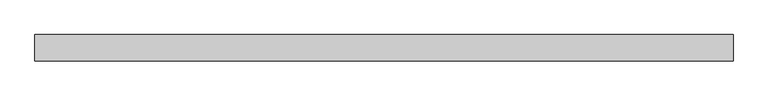
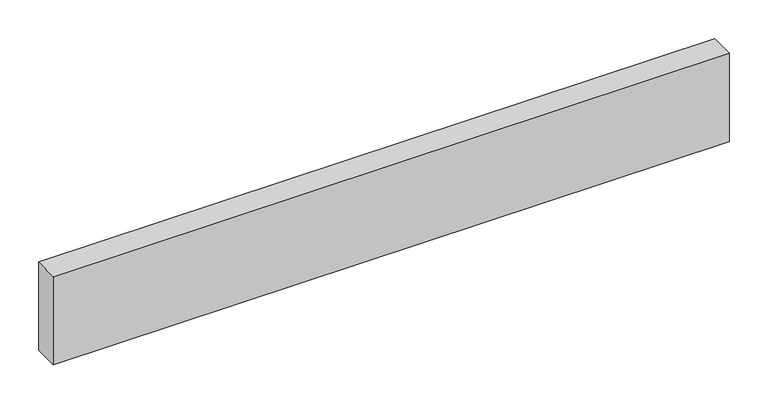
"""IFC4 building model written with IfcOpenShell, lengths in millimetres: beam geometry."""

from ifc_helpers import new_model, si_unit, frame, origin, place, context, project, spatial, polyline, outline, extrude, source, transform, mapped, element, save


def beam_384450ba(model_context):
    return source(origin(), model_context, "Body", "SweptSolid", [
        extrude(outline(polyline([(505.5195313, -19.05), (-505.5195313, -19.05), (-505.5195313, 19.05), (505.5195313, 19.05), (505.5195313, -19.05)])), frame((0.0, 0.0, -69.85), z_axis=(0.0, 0.0, 1.0), x_axis=(1.0, 0.0, 0.0)), (0.0, 0.0, 1.0), 139.7),
    ])


if __name__ == "__main__":
    model = new_model("IFC4")
    model_context = context("Model", 3, world=origin())
    ifc_project = project(units=[si_unit("LENGTHUNIT", "METRE", prefix="MILLI")], contexts=[model_context])
    site = spatial("IfcSite", under=ifc_project)
    building = spatial("IfcBuilding", under=site)
    placement = place(None, origin())
    beam_shape = beam_384450ba(model_context)
    element("IfcBeam", 1, at=placement, inside=building, context=model_context, shape_type="MappedRepresentation", body=[
        mapped(beam_shape, transform((0.0, 0.0, 0.0), x_axis=(1.0, 0.0, 0.0), y_axis=(0.0, 1.0, 0.0), z_axis=(0.0, 0.0, 1.0))),
    ])
    save(model, "model.ifc")
